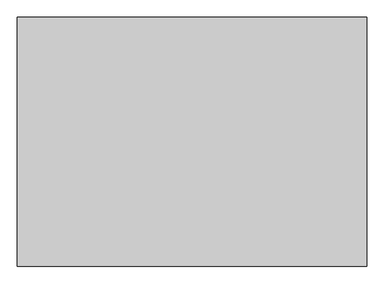
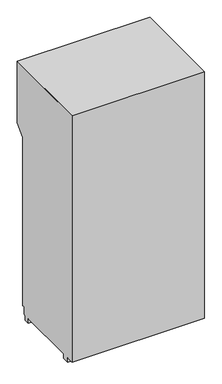
"""IFC4 building model written with IfcOpenShell, lengths in millimetres: proxy geometry."""

from ifc_helpers import new_model, si_unit, point, frame, frame_2d, origin, place, context, project, spatial, polyline, circle_curve, trimmed, segment, composite_curve, outline, extrude, source, transform, mapped, element, save
from ifc_brep_helpers import plane_surface, revolved_surface, advanced_brep


def specialty_equipment_6c48b45c(model_context):
    return source(origin(), model_context, "Body", "SolidModel", [
        extrude(outline(polyline([(457.2, 316.5974388), (457.2, -304.8), (-457.2, -304.8), (-457.2, 316.5974388), (457.2, 316.5974388)])), frame((0.0, 0.0, 1027.7974388), z_axis=(0.0, 0.0, 1.0), x_axis=(1.0, 0.0, 0.0)), (0.0, 0.0, 1.0), 25.4),
        extrude(outline(polyline([(120.65, -457.2), (120.65, 0.0), (577.85, 0.0), (577.85, -457.2), (120.65, -457.2)]), holes=[polyline([(514.4492156, -50.2135672), (514.4492156, -24.8135672), (362.0492156, -24.8135672), (362.0492156, -50.2135672), (514.4492156, -50.2135672)]), composite_curve([segment(trimmed(circle_curve(frame_2d((175.9349116, -408.6079448)), 25.4), [point((175.9349116, -383.2079448))], [point((175.9349116, -434.0079448))], True, "CARTESIAN"), True, "CONTINUOUS"), segment(trimmed(circle_curve(frame_2d((175.9349116, -408.6079448)), 25.4), [point((175.9349116, -434.0079448))], [point((175.9349116, -383.2079448))], True, "CARTESIAN"), True, "CONTINUOUS")], self_intersect=False), composite_curve([segment(trimmed(circle_curve(frame_2d((175.9349116, -307.0079448)), 25.4), [point((175.9349116, -281.6079448))], [point((175.9349116, -332.4079448))], True, "CARTESIAN"), True, "CONTINUOUS"), segment(trimmed(circle_curve(frame_2d((175.9349116, -307.0079448)), 25.4), [point((175.9349116, -332.4079448))], [point((175.9349116, -281.6079448))], True, "CARTESIAN"), True, "CONTINUOUS")], self_intersect=False), composite_curve([segment(trimmed(circle_curve(frame_2d((175.9349116, -205.4079448)), 25.4), [point((175.9349116, -180.0079448))], [point((175.9349116, -230.8079448))], True, "CARTESIAN"), True, "CONTINUOUS"), segment(trimmed(circle_curve(frame_2d((175.9349116, -205.4079448)), 25.4), [point((175.9349116, -230.8079448))], [point((175.9349116, -180.0079448))], True, "CARTESIAN"), True, "CONTINUOUS")], self_intersect=False), composite_curve([segment(trimmed(circle_curve(frame_2d((175.9349116, -103.8079448)), 25.4), [point((175.9349116, -78.4079448))], [point((175.9349116, -129.2079448))], True, "CARTESIAN"), True, "CONTINUOUS"), segment(trimmed(circle_curve(frame_2d((175.9349116, -103.8079448)), 25.4), [point((175.9349116, -129.2079448))], [point((175.9349116, -78.4079448))], True, "CARTESIAN"), True, "CONTINUOUS")], self_intersect=False)]), frame((0.0, 354.6974388, 0.0), z_axis=(0.0, 1.0, 0.0), x_axis=(0.0, 0.0, 1.0)), (0.0, 0.0, 1.0), 19.066442),
        extrude(outline(polyline([(120.65, 457.2), (577.85, 457.2), (577.85, 0.0), (120.65, 0.0), (120.65, 457.2)]), holes=[polyline([(514.4492156, 24.8135672), (514.4492156, 50.2135672), (362.0492156, 50.2135672), (362.0492156, 24.8135672), (514.4492156, 24.8135672)]), composite_curve([segment(trimmed(circle_curve(frame_2d((175.9349116, 398.4981885)), 25.4), [point((175.9349116, 423.8981885))], [point((175.9349116, 373.0981885))], True, "CARTESIAN"), True, "CONTINUOUS"), segment(trimmed(circle_curve(frame_2d((175.9349116, 398.4981885)), 25.4), [point((175.9349116, 373.0981885))], [point((175.9349116, 423.8981885))], True, "CARTESIAN"), True, "CONTINUOUS")], self_intersect=False), composite_curve([segment(trimmed(circle_curve(frame_2d((175.9349116, 296.8981885)), 25.4), [point((175.9349116, 322.2981885))], [point((175.9349116, 271.4981885))], True, "CARTESIAN"), True, "CONTINUOUS"), segment(trimmed(circle_curve(frame_2d((175.9349116, 296.8981885)), 25.4), [point((175.9349116, 271.4981885))], [point((175.9349116, 322.2981885))], True, "CARTESIAN"), True, "CONTINUOUS")], self_intersect=False), composite_curve([segment(trimmed(circle_curve(frame_2d((175.9349116, 195.2981885)), 25.4), [point((175.9349116, 220.6981885))], [point((175.9349116, 169.8981885))], True, "CARTESIAN"), True, "CONTINUOUS"), segment(trimmed(circle_curve(frame_2d((175.9349116, 195.2981885)), 25.4), [point((175.9349116, 169.8981885))], [point((175.9349116, 220.6981885))], True, "CARTESIAN"), True, "CONTINUOUS")], self_intersect=False), composite_curve([segment(trimmed(circle_curve(frame_2d((175.9349116, 93.6981885)), 25.4), [point((175.9349116, 119.0981885))], [point((175.9349116, 68.2981885))], True, "CARTESIAN"), True, "CONTINUOUS"), segment(trimmed(circle_curve(frame_2d((175.9349116, 93.6981885)), 25.4), [point((175.9349116, 68.2981885))], [point((175.9349116, 119.0981885))], True, "CARTESIAN"), True, "CONTINUOUS")], self_intersect=False)]), frame((0.0, 354.6974388, 0.0), z_axis=(0.0, 1.0, 0.0), x_axis=(0.0, 0.0, 1.0)), (0.0, 0.0, 1.0), 19.066442),
        advanced_brep(
        [(622.3, 444.5, 2489.2), (-622.3, 444.5, 2489.2), (-622.3, -444.5, 2489.2), (622.3, -444.5, 2489.2), (-622.3, 266.7, 0.0), (-622.3, 316.5974388, 0.0), (-558.8, 316.5974388, 0.0), (-558.8, 266.7, 0.0), (622.3, 316.5974388, 0.0), (622.3, 266.7, 0.0), (558.8, 266.7, 0.0), (558.8, 316.5974388, 0.0), (-622.3, -304.8, 0.0), (-558.8, -304.8, 0.0), (-558.8, -374.65, 0.0), (-622.3, -374.65, 0.0), (558.8, -304.8, 0.0), (622.3, -304.8, 0.0), (622.3, -374.65, 0.0), (558.8, -374.65, 0.0), (622.3, 444.5, 1879.6), (-622.3, 444.5, 1879.6), (558.8, 444.5, 2413.0), (254.0, 444.5, 2413.0), (254.0, 444.5, 2311.4), (558.8, 444.5, 2311.4), (177.8, 444.5, 2413.0), (-127.0, 444.5, 2413.0), (-127.0, 444.5, 2311.4), (177.8, 444.5, 2311.4), (-203.2, 444.5, 2413.0), (-508.0, 444.5, 2413.0), (-508.0, 444.5, 2311.4), (-203.2, 444.5, 2311.4), (558.8, 444.5, 2159.0), (254.0, 444.5, 2159.0), (254.0, 444.5, 2057.4), (558.8, 444.5, 2057.4), (177.8, 444.5, 2159.0), (-127.0, 444.5, 2159.0), (-127.0, 444.5, 2057.4), (177.8, 444.5, 2057.4), (-203.2, 444.5, 2159.0), (-508.0, 444.5, 2159.0), (-508.0, 444.5, 2057.4), (-203.2, 444.5, 2057.4), (-622.3, 354.6974388, 1789.7974388), (-622.3, 354.6974388, 120.65), (-622.3, 335.6474388, 120.65), (-622.3, 335.6474388, 44.45), (-622.3, 316.5974388, 44.45), (-622.3, 266.7, 44.45), (-622.3, -304.8, 44.45), (-622.3, -374.65, 44.45), (-622.3, -444.5, 44.45), (622.3, -444.5, 44.45), (622.3, -374.65, 44.45), (622.3, -304.8, 44.45), (622.3, 266.7, 44.45), (622.3, 316.5974388, 44.45), (622.3, 335.6474388, 44.45), (622.3, 335.6474388, 120.65), (622.3, 354.6974388, 120.65), (622.3, 354.6974388, 1789.7974388), (457.2, 354.6974388, 1789.7974388), (-457.2, 354.6974388, 1789.7974388), (-457.2, 354.6974388, 722.9974388), (457.2, 354.6974388, 722.9974388), (373.0981885, 354.6974388, 175.9349116), (423.8981885, 354.6974388, 175.9349116), (271.4981885, 354.6974388, 175.9349116), (322.2981885, 354.6974388, 175.9349116), (169.8981885, 354.6974388, 175.9349116), (220.6981885, 354.6974388, 175.9349116), (68.2981885, 354.6974388, 175.9349116), (119.0981885, 354.6974388, 175.9349116), (-434.0079448, 354.6974388, 175.9349116), (-383.2079448, 354.6974388, 175.9349116), (-332.4079448, 354.6974388, 175.9349116), (-281.6079448, 354.6974388, 175.9349116), (-230.8079448, 354.6974388, 175.9349116), (-180.0079448, 354.6974388, 175.9349116), (-129.2079448, 354.6974388, 175.9349116), (-78.4079448, 354.6974388, 175.9349116), (-558.8, 266.7, 44.45), (558.8, 266.7, 44.45), (558.8, -304.8, 44.45), (558.8, -374.65, 44.45), (-558.8, -374.65, 44.45), (-558.8, -304.8, 44.45), (-558.8, 316.5974388, 44.45), (558.8, 316.5974388, 44.45), (457.2, -304.8, 1789.7974388), (457.2, -304.8, 722.9974388), (-457.2, -304.8, 722.9974388), (-457.2, -304.8, 1789.7974388), (558.8, 405.9853104, 2413.0), (558.8, 405.9853104, 2311.4), (254.0, 405.9853104, 2311.4), (254.0, 405.9853104, 2413.0), (177.8, 405.9853104, 2413.0), (177.8, 405.9853104, 2311.4), (-127.0, 405.9853104, 2311.4), (-127.0, 405.9853104, 2413.0), (-203.2, 405.9853104, 2413.0), (-203.2, 405.9853104, 2311.4), (-508.0, 405.9853104, 2311.4), (-508.0, 405.9853104, 2413.0), (558.8, 405.9853104, 2159.0), (558.8, 405.9853104, 2057.4), (254.0, 405.9853104, 2057.4), (254.0, 405.9853104, 2159.0), (177.8, 405.9853104, 2159.0), (177.8, 405.9853104, 2057.4), (-127.0, 405.9853104, 2057.4), (-127.0, 405.9853104, 2159.0), (-203.2, 405.9853104, 2159.0), (-203.2, 405.9853104, 2057.4), (-508.0, 405.9853104, 2057.4), (-508.0, 405.9853104, 2159.0), (373.0981885, 335.6474388, 175.9349116), (423.8981885, 335.6474388, 175.9349116), (271.4981885, 335.6474388, 175.9349116), (322.2981885, 335.6474388, 175.9349116), (169.8981885, 335.6474388, 175.9349116), (220.6981885, 335.6474388, 175.9349116), (68.2981885, 335.6474388, 175.9349116), (119.0981885, 335.6474388, 175.9349116), (-434.0079448, 335.6474388, 175.9349116), (-383.2079448, 335.6474388, 175.9349116), (-332.4079448, 335.6474388, 175.9349116), (-281.6079448, 335.6474388, 175.9349116), (-230.8079448, 335.6474388, 175.9349116), (-180.0079448, 335.6474388, 175.9349116), (-129.2079448, 335.6474388, 175.9349116), (-78.4079448, 335.6474388, 175.9349116)],
        [
            (0, 1),
            (1, 2),
            (2, 3),
            (3, 0),
            (4, 5),
            (5, 6),
            (6, 7),
            (7, 4),
            (8, 9),
            (9, 10),
            (10, 11),
            (11, 8),
            (12, 13),
            (13, 14),
            (14, 15),
            (15, 12),
            (16, 17),
            (17, 18),
            (18, 19),
            (19, 16),
            (0, 20),
            (20, 21),
            (21, 1),
            (22, 23),
            (23, 24),
            (24, 25),
            (25, 22),
            (26, 27),
            (27, 28),
            (28, 29),
            (29, 26),
            (30, 31),
            (31, 32),
            (32, 33),
            (33, 30),
            (34, 35),
            (35, 36),
            (36, 37),
            (37, 34),
            (38, 39),
            (39, 40),
            (40, 41),
            (41, 38),
            (42, 43),
            (43, 44),
            (44, 45),
            (45, 42),
            (21, 46),
            (46, 47),
            (47, 48),
            (48, 49),
            (49, 50),
            (50, 5),
            (4, 51),
            (51, 52),
            (52, 12),
            (15, 53),
            (53, 54),
            (54, 2),
            (54, 55),
            (55, 3),
            (55, 56),
            (56, 18),
            (17, 57),
            (57, 58),
            (58, 9),
            (8, 59),
            (59, 60),
            (60, 61),
            (61, 62),
            (62, 63),
            (63, 20),
            (63, 64),
            (64, 65),
            (65, 46),
            (65, 66),
            (66, 67),
            (67, 64),
            (62, 47),
            (68, 69, circle_curve(frame((398.4981885, 354.6974388, 175.9349116), z_axis=(0.0, -1.0, 0.0), x_axis=(1.0, 0.0, 0.0)), 25.4)),
            (69, 68, circle_curve(frame((398.4981885, 354.6974388, 175.9349116), z_axis=(0.0, -1.0, 0.0), x_axis=(1.0, 0.0, 0.0)), 25.4)),
            (70, 71, circle_curve(frame((296.8981885, 354.6974388, 175.9349116), z_axis=(0.0, -1.0, 0.0), x_axis=(1.0, 0.0, 0.0)), 25.4)),
            (71, 70, circle_curve(frame((296.8981885, 354.6974388, 175.9349116), z_axis=(0.0, -1.0, 0.0), x_axis=(1.0, 0.0, 0.0)), 25.4)),
            (72, 73, circle_curve(frame((195.2981885, 354.6974388, 175.9349116), z_axis=(0.0, -1.0, 0.0), x_axis=(1.0, 0.0, 0.0)), 25.4)),
            (73, 72, circle_curve(frame((195.2981885, 354.6974388, 175.9349116), z_axis=(0.0, -1.0, 0.0), x_axis=(1.0, 0.0, 0.0)), 25.4)),
            (74, 75, circle_curve(frame((93.6981885, 354.6974388, 175.9349116), z_axis=(0.0, -1.0, 0.0), x_axis=(1.0, 0.0, 0.0)), 25.4)),
            (75, 74, circle_curve(frame((93.6981885, 354.6974388, 175.9349116), z_axis=(0.0, -1.0, 0.0), x_axis=(1.0, 0.0, 0.0)), 25.4)),
            (76, 77, circle_curve(frame((-408.6079448, 354.6974388, 175.9349116), z_axis=(0.0, -1.0, 0.0), x_axis=(1.0, 0.0, 0.0)), 25.4)),
            (77, 76, circle_curve(frame((-408.6079448, 354.6974388, 175.9349116), z_axis=(0.0, -1.0, 0.0), x_axis=(1.0, 0.0, 0.0)), 25.4)),
            (78, 79, circle_curve(frame((-307.0079448, 354.6974388, 175.9349116), z_axis=(0.0, -1.0, 0.0), x_axis=(1.0, 0.0, 0.0)), 25.4)),
            (79, 78, circle_curve(frame((-307.0079448, 354.6974388, 175.9349116), z_axis=(0.0, -1.0, 0.0), x_axis=(1.0, 0.0, 0.0)), 25.4)),
            (80, 81, circle_curve(frame((-205.4079448, 354.6974388, 175.9349116), z_axis=(0.0, -1.0, 0.0), x_axis=(1.0, 0.0, 0.0)), 25.4)),
            (81, 80, circle_curve(frame((-205.4079448, 354.6974388, 175.9349116), z_axis=(0.0, -1.0, 0.0), x_axis=(1.0, 0.0, 0.0)), 25.4)),
            (82, 83, circle_curve(frame((-103.8079448, 354.6974388, 175.9349116), z_axis=(0.0, -1.0, 0.0), x_axis=(1.0, 0.0, 0.0)), 25.4)),
            (83, 82, circle_curve(frame((-103.8079448, 354.6974388, 175.9349116), z_axis=(0.0, -1.0, 0.0), x_axis=(1.0, 0.0, 0.0)), 25.4)),
            (7, 84),
            (84, 51),
            (58, 85),
            (85, 10),
            (57, 86),
            (86, 87),
            (87, 56),
            (53, 88),
            (88, 89),
            (89, 52),
            (84, 90),
            (90, 50),
            (49, 60),
            (59, 91),
            (91, 85),
            (89, 13),
            (16, 86),
            (61, 48),
            (90, 6),
            (11, 91),
            (88, 14),
            (19, 87),
            (92, 93),
            (93, 94),
            (94, 95),
            (95, 92),
            (64, 92),
            (95, 65),
            (93, 67),
            (66, 94),
            (96, 97),
            (97, 98),
            (98, 99),
            (99, 96),
            (99, 23),
            (22, 96),
            (98, 24),
            (97, 25),
            (100, 101),
            (101, 102),
            (102, 103),
            (103, 100),
            (103, 27),
            (26, 100),
            (102, 28),
            (101, 29),
            (104, 105),
            (105, 106),
            (106, 107),
            (107, 104),
            (107, 31),
            (30, 104),
            (106, 32),
            (105, 33),
            (108, 109),
            (109, 110),
            (110, 111),
            (111, 108),
            (111, 35),
            (34, 108),
            (110, 36),
            (109, 37),
            (112, 113),
            (113, 114),
            (114, 115),
            (115, 112),
            (115, 39),
            (38, 112),
            (114, 40),
            (113, 41),
            (116, 117),
            (117, 118),
            (118, 119),
            (119, 116),
            (119, 43),
            (42, 116),
            (118, 44),
            (117, 45),
            (120, 121, circle_curve(frame((398.4981885, 335.6474388, 175.9349116), z_axis=(0.0, 1.0, 0.0), x_axis=(1.0, 0.0, 0.0)), 25.4)),
            (121, 120, circle_curve(frame((398.4981885, 335.6474388, 175.9349116), z_axis=(0.0, 1.0, 0.0), x_axis=(1.0, 0.0, 0.0)), 25.4)),
            (121, 69),
            (68, 120),
            (122, 123, circle_curve(frame((296.8981885, 335.6474388, 175.9349116), z_axis=(0.0, 1.0, 0.0), x_axis=(1.0, 0.0, 0.0)), 25.4)),
            (123, 122, circle_curve(frame((296.8981885, 335.6474388, 175.9349116), z_axis=(0.0, 1.0, 0.0), x_axis=(1.0, 0.0, 0.0)), 25.4)),
            (123, 71),
            (70, 122),
            (124, 125, circle_curve(frame((195.2981885, 335.6474388, 175.9349116), z_axis=(0.0, 1.0, 0.0), x_axis=(1.0, 0.0, 0.0)), 25.4)),
            (125, 124, circle_curve(frame((195.2981885, 335.6474388, 175.9349116), z_axis=(0.0, 1.0, 0.0), x_axis=(1.0, 0.0, 0.0)), 25.4)),
            (125, 73),
            (72, 124),
            (126, 127, circle_curve(frame((93.6981885, 335.6474388, 175.9349116), z_axis=(0.0, 1.0, 0.0), x_axis=(1.0, 0.0, 0.0)), 25.4)),
            (127, 126, circle_curve(frame((93.6981885, 335.6474388, 175.9349116), z_axis=(0.0, 1.0, 0.0), x_axis=(1.0, 0.0, 0.0)), 25.4)),
            (127, 75),
            (74, 126),
            (128, 129, circle_curve(frame((-408.6079448, 335.6474388, 175.9349116), z_axis=(0.0, 1.0, 0.0), x_axis=(1.0, 0.0, 0.0)), 25.4)),
            (129, 128, circle_curve(frame((-408.6079448, 335.6474388, 175.9349116), z_axis=(0.0, 1.0, 0.0), x_axis=(1.0, 0.0, 0.0)), 25.4)),
            (129, 77),
            (76, 128),
            (130, 131, circle_curve(frame((-307.0079448, 335.6474388, 175.9349116), z_axis=(0.0, 1.0, 0.0), x_axis=(1.0, 0.0, 0.0)), 25.4)),
            (131, 130, circle_curve(frame((-307.0079448, 335.6474388, 175.9349116), z_axis=(0.0, 1.0, 0.0), x_axis=(1.0, 0.0, 0.0)), 25.4)),
            (131, 79),
            (78, 130),
            (132, 133, circle_curve(frame((-205.4079448, 335.6474388, 175.9349116), z_axis=(0.0, 1.0, 0.0), x_axis=(1.0, 0.0, 0.0)), 25.4)),
            (133, 132, circle_curve(frame((-205.4079448, 335.6474388, 175.9349116), z_axis=(0.0, 1.0, 0.0), x_axis=(1.0, 0.0, 0.0)), 25.4)),
            (133, 81),
            (80, 132),
            (134, 135, circle_curve(frame((-103.8079448, 335.6474388, 175.9349116), z_axis=(0.0, 1.0, 0.0), x_axis=(1.0, 0.0, 0.0)), 25.4)),
            (135, 134, circle_curve(frame((-103.8079448, 335.6474388, 175.9349116), z_axis=(0.0, 1.0, 0.0), x_axis=(1.0, 0.0, 0.0)), 25.4)),
            (135, 83),
            (82, 134),
        ],
        [
            plane_surface(frame((-622.3, 444.5, 2489.2), z_axis=(0.0, 0.0, 1.0), x_axis=(-1.0, 0.0, 0.0))),
            plane_surface(frame((-622.3, 444.5, 0.0), z_axis=(0.0, 0.0, -1.0), x_axis=(1.0, 0.0, 0.0))),
            plane_surface(frame((622.3, 444.5, 2489.2), z_axis=(0.0, 1.0, 0.0), x_axis=(0.0, 0.0, -1.0))),
            plane_surface(frame((-622.3, 444.5, 2489.2), z_axis=(-1.0, 0.0, 0.0), x_axis=(0.0, 0.0, -1.0))),
            plane_surface(frame((-622.3, -444.5, 2489.2), z_axis=(0.0, -1.0, 0.0), x_axis=(0.0, 0.0, -1.0))),
            plane_surface(frame((622.3, -444.5, 2489.2), z_axis=(1.0, 0.0, 0.0), x_axis=(0.0, 0.0, -1.0))),
            plane_surface(frame((622.3, 444.5, 1879.6), z_axis=(0.0, 0.7071067811865465, -0.7071067811865486), x_axis=(-1.0, 0.0, 0.0))),
            plane_surface(frame((622.3, 354.6974388, 1789.7974388), z_axis=(0.0, 1.0, 0.0), x_axis=(-1.0, 0.0, 0.0))),
            plane_surface(frame((622.3, 266.7, 0.0), z_axis=(0.0, -1.0, 0.0), x_axis=(-1.0, 0.0, 0.0))),
            plane_surface(frame((622.3, 266.7, 44.45), z_axis=(0.0, 0.0, -1.0), x_axis=(-1.0, 0.0, 0.0))),
            plane_surface(frame((622.3, -304.8, 44.45), z_axis=(0.0, 1.0, 0.0), x_axis=(-1.0, 0.0, 0.0))),
            plane_surface(frame((622.3, 354.6974388, 120.65), z_axis=(0.0, 0.0, -1.0), x_axis=(-1.0, 0.0, 0.0))),
            plane_surface(frame((622.3, 335.6474388, 120.65), z_axis=(0.0, 1.0, 0.0), x_axis=(-1.0, 0.0, 0.0))),
            plane_surface(frame((622.3, 316.5974388, 44.45), z_axis=(0.0, 1.0, 0.0), x_axis=(-1.0, 0.0, 0.0))),
            plane_surface(frame((-558.8, -444.5, 44.45), z_axis=(1.0, 0.0, 0.0), x_axis=(0.0, 1.0, 0.0))),
            plane_surface(frame((558.8, -444.5, 0.0), z_axis=(-1.0, 0.0, 0.0), x_axis=(0.0, 1.0, 0.0))),
            plane_surface(frame((622.3, -374.65, 0.0), z_axis=(0.0, -1.0, 0.0), x_axis=(-1.0, 0.0, 0.0))),
            plane_surface(frame((0.0, -304.8, 1789.7974388), z_axis=(0.0, 1.0, 0.0), x_axis=(-1.0, 0.0, 0.0))),
            plane_surface(frame((457.2, -304.8, 1789.7974388), z_axis=(0.0, 0.0, -1.0), x_axis=(0.0, 1.0, 0.0))),
            plane_surface(frame((0.0, -304.8, 722.9974388), z_axis=(0.0, 0.0, 1.0), x_axis=(0.0, 1.0, 0.0))),
            plane_surface(frame((457.2, -304.8, 722.9974388), z_axis=(-1.0, 0.0, 0.0), x_axis=(0.0, 1.0, 0.0))),
            plane_surface(frame((-457.2, -304.8, 1789.7974388), z_axis=(1.0, 0.0, 0.0), x_axis=(0.0, 1.0, 0.0))),
            plane_surface(frame((203.2, 405.9853104, 2413.0), z_axis=(0.0, 1.0, 0.0), x_axis=(-1.0, 0.0, 0.0))),
            plane_surface(frame((558.8, 405.9853104, 2413.0), z_axis=(0.0, 0.0, -1.0), x_axis=(0.0, 1.0, 0.0))),
            plane_surface(frame((254.0, 405.9853104, 2413.0), z_axis=(1.0, 0.0, 0.0), x_axis=(0.0, 1.0, 0.0))),
            plane_surface(frame((254.0, 405.9853104, 2311.4), z_axis=(0.0, 0.0, 1.0), x_axis=(0.0, 1.0, 0.0))),
            plane_surface(frame((558.8, 405.9853104, 2311.4), z_axis=(-1.0, 0.0, 0.0), x_axis=(0.0, 1.0, 0.0))),
            plane_surface(frame((-177.8, 405.9853104, 2413.0), z_axis=(0.0, 1.0, 0.0), x_axis=(-1.0, 0.0, 0.0))),
            plane_surface(frame((177.8, 405.9853104, 2413.0), z_axis=(0.0, 0.0, -1.0), x_axis=(0.0, 1.0, 0.0))),
            plane_surface(frame((-127.0, 405.9853104, 2413.0), z_axis=(1.0, 0.0, 0.0), x_axis=(0.0, 1.0, 0.0))),
            plane_surface(frame((-127.0, 405.9853104, 2311.4), z_axis=(0.0, 0.0, 1.0), x_axis=(0.0, 1.0, 0.0))),
            plane_surface(frame((177.8, 405.9853104, 2311.4), z_axis=(-1.0, 0.0, 0.0), x_axis=(0.0, 1.0, 0.0))),
            plane_surface(frame((-558.8, 405.9853104, 2413.0), z_axis=(0.0, 1.0, 0.0), x_axis=(-1.0, 0.0, 0.0))),
            plane_surface(frame((-203.2, 405.9853104, 2413.0), z_axis=(0.0, 0.0, -1.0), x_axis=(0.0, 1.0, 0.0))),
            plane_surface(frame((-508.0, 405.9853104, 2413.0), z_axis=(1.0, 0.0, 0.0), x_axis=(0.0, 1.0, 0.0))),
            plane_surface(frame((-508.0, 405.9853104, 2311.4), z_axis=(0.0, 0.0, 1.0), x_axis=(0.0, 1.0, 0.0))),
            plane_surface(frame((-203.2, 405.9853104, 2311.4), z_axis=(-1.0, 0.0, 0.0), x_axis=(0.0, 1.0, 0.0))),
            plane_surface(frame((203.2, 405.9853104, 2159.0), z_axis=(0.0, 1.0, 0.0), x_axis=(-1.0, 0.0, 0.0))),
            plane_surface(frame((558.8, 405.9853104, 2159.0), z_axis=(0.0, 0.0, -1.0), x_axis=(0.0, 1.0, 0.0))),
            plane_surface(frame((254.0, 405.9853104, 2159.0), z_axis=(1.0, 0.0, 0.0), x_axis=(0.0, 1.0, 0.0))),
            plane_surface(frame((254.0, 405.9853104, 2057.4), z_axis=(0.0, 0.0, 1.0), x_axis=(0.0, 1.0, 0.0))),
            plane_surface(frame((558.8, 405.9853104, 2057.4), z_axis=(-1.0, 0.0, 0.0), x_axis=(0.0, 1.0, 0.0))),
            plane_surface(frame((-177.8, 405.9853104, 2159.0), z_axis=(0.0, 1.0, 0.0), x_axis=(-1.0, 0.0, 0.0))),
            plane_surface(frame((177.8, 405.9853104, 2159.0), z_axis=(0.0, 0.0, -1.0), x_axis=(0.0, 1.0, 0.0))),
            plane_surface(frame((-127.0, 405.9853104, 2159.0), z_axis=(1.0, 0.0, 0.0), x_axis=(0.0, 1.0, 0.0))),
            plane_surface(frame((-127.0, 405.9853104, 2057.4), z_axis=(0.0, 0.0, 1.0), x_axis=(0.0, 1.0, 0.0))),
            plane_surface(frame((177.8, 405.9853104, 2057.4), z_axis=(-1.0, 0.0, 0.0), x_axis=(0.0, 1.0, 0.0))),
            plane_surface(frame((-558.8, 405.9853104, 2159.0), z_axis=(0.0, 1.0, 0.0), x_axis=(-1.0, 0.0, 0.0))),
            plane_surface(frame((-203.2, 405.9853104, 2159.0), z_axis=(0.0, 0.0, -1.0), x_axis=(0.0, 1.0, 0.0))),
            plane_surface(frame((-508.0, 405.9853104, 2159.0), z_axis=(1.0, 0.0, 0.0), x_axis=(0.0, 1.0, 0.0))),
            plane_surface(frame((-508.0, 405.9853104, 2057.4), z_axis=(0.0, 0.0, 1.0), x_axis=(0.0, 1.0, 0.0))),
            plane_surface(frame((-203.2, 405.9853104, 2057.4), z_axis=(-1.0, 0.0, 0.0), x_axis=(0.0, 1.0, 0.0))),
            plane_surface(frame((423.8981885, 335.6474388, 175.9349116), z_axis=(0.0, 1.0, 0.0), x_axis=(0.0, 0.0, 1.0))),
            revolved_surface(polyline([(423.8981885, 335.6474388, 175.9349116), (423.8981885, 354.6974388, 175.9349116)]), (398.4981885, 373.7638807, 175.9349116), (0.0, -1.0, 0.0)),
            plane_surface(frame((322.2981885, 335.6474388, 175.9349116), z_axis=(0.0, 1.0, 0.0), x_axis=(0.0, 0.0, 1.0))),
            revolved_surface(polyline([(322.2981885, 335.6474388, 175.9349116), (322.2981885, 354.6974388, 175.9349116)]), (296.8981885, 373.7638807, 175.9349116), (0.0, -1.0, 0.0)),
            plane_surface(frame((220.6981885, 335.6474388, 175.9349116), z_axis=(0.0, 1.0, 0.0), x_axis=(0.0, 0.0, 1.0))),
            revolved_surface(polyline([(220.69818850000001, 335.6474388, 175.9349116), (220.69818850000001, 354.6974388, 175.9349116)]), (195.2981885, 373.7638807, 175.9349116), (0.0, -1.0, 0.0)),
            plane_surface(frame((119.0981885, 335.6474388, 175.9349116), z_axis=(0.0, 1.0, 0.0), x_axis=(0.0, 0.0, 1.0))),
            revolved_surface(polyline([(119.09818849999999, 335.6474388, 175.9349116), (119.09818849999999, 354.6974388, 175.9349116)]), (93.6981885, 373.7638807, 175.9349116), (0.0, -1.0, 0.0)),
            plane_surface(frame((-383.2079448, 335.6474388, 175.9349116), z_axis=(0.0, 1.0, 0.0), x_axis=(0.0, 0.0, 1.0))),
            revolved_surface(polyline([(-383.2079448, 335.6474388, 175.9349116), (-383.2079448, 354.6974388, 175.9349116)]), (-408.6079448, 373.7638807, 175.9349116), (0.0, -1.0, 0.0)),
            plane_surface(frame((-281.6079448, 335.6474388, 175.9349116), z_axis=(0.0, 1.0, 0.0), x_axis=(0.0, 0.0, 1.0))),
            revolved_surface(polyline([(-281.60794480000004, 335.6474388, 175.9349116), (-281.60794480000004, 354.6974388, 175.9349116)]), (-307.0079448, 373.7638807, 175.9349116), (0.0, -1.0, 0.0)),
            plane_surface(frame((-180.0079448, 335.6474388, 175.9349116), z_axis=(0.0, 1.0, 0.0), x_axis=(0.0, 0.0, 1.0))),
            revolved_surface(polyline([(-180.0079448, 335.6474388, 175.9349116), (-180.0079448, 354.6974388, 175.9349116)]), (-205.4079448, 373.7638807, 175.9349116), (0.0, -1.0, 0.0)),
            plane_surface(frame((-78.4079448, 335.6474388, 175.9349116), z_axis=(0.0, 1.0, 0.0), x_axis=(0.0, 0.0, 1.0))),
            revolved_surface(polyline([(-78.4079448, 335.6474388, 175.9349116), (-78.4079448, 354.6974388, 175.9349116)]), (-103.8079448, 373.7638807, 175.9349116), (0.0, -1.0, 0.0)),
        ],
        [
            (0, [[1, 2, 3, 4]]),
            (1, [[5, 6, 7, 8]]),
            (1, [[9, 10, 11, 12]]),
            (1, [[13, 14, 15, 16]]),
            (1, [[17, 18, 19, 20]]),
            (2, [[-1, 21, 22, 23], [24, 25, 26, 27], [28, 29, 30, 31], [32, 33, 34, 35], [36, 37, 38, 39], [40, 41, 42, 43], [44, 45, 46, 47]]),
            (3, [[-2, -23, 48, 49, 50, 51, 52, 53, -5, 54, 55, 56, -16, 57, 58, 59]]),
            (4, [[-3, -59, 60, 61]]),
            (5, [[-4, -61, 62, 63, -18, 64, 65, 66, -9, 67, 68, 69, 70, 71, 72, -21]]),
            (6, [[-22, -72, 73, 74, 75, -48]]),
            (7, [[-49, -75, 76, 77, 78, -73, -71, 79], [80, 81], [82, 83], [84, 85], [86, 87], [88, 89], [90, 91], [92, 93], [94, 95]]),
            (8, [[-54, -8, 96, 97]]),
            (8, [[-66, 98, 99, -10]]),
            (9, [[-65, 100, 101, 102, -62, -60, -58, 103, 104, 105, -55, -97, 106, 107, -52, 108, -68, 109, 110, -98]]),
            (10, [[-56, -105, 111, -13]]),
            (10, [[-64, -17, 112, -100]]),
            (11, [[113, -50, -79, -70]]),
            (12, [[-113, -69, -108, -51]]),
            (13, [[-53, -107, 114, -6]]),
            (13, [[-67, -12, 115, -109]]),
            (14, [[-106, -96, -7, -114]]),
            (14, [[-111, -104, 116, -14]]),
            (15, [[-110, -115, -11, -99]]),
            (15, [[-112, -20, 117, -101]]),
            (16, [[-102, -117, -19, -63]]),
            (16, [[-103, -57, -15, -116]]),
            (17, [[118, 119, 120, 121]]),
            (18, [[122, -121, 123, -74]]),
            (19, [[124, -77, 125, -119]]),
            (20, [[-118, -122, -78, -124]]),
            (21, [[-120, -125, -76, -123]]),
            (22, [[126, 127, 128, 129]]),
            (23, [[-129, 130, -24, 131]]),
            (24, [[-128, 132, -25, -130]]),
            (25, [[-127, 133, -26, -132]]),
            (26, [[-126, -131, -27, -133]]),
            (27, [[134, 135, 136, 137]]),
            (28, [[-137, 138, -28, 139]]),
            (29, [[-136, 140, -29, -138]]),
            (30, [[-135, 141, -30, -140]]),
            (31, [[-134, -139, -31, -141]]),
            (32, [[142, 143, 144, 145]]),
            (33, [[-145, 146, -32, 147]]),
            (34, [[-144, 148, -33, -146]]),
            (35, [[-143, 149, -34, -148]]),
            (36, [[-142, -147, -35, -149]]),
            (37, [[150, 151, 152, 153]]),
            (38, [[-153, 154, -36, 155]]),
            (39, [[-152, 156, -37, -154]]),
            (40, [[-151, 157, -38, -156]]),
            (41, [[-150, -155, -39, -157]]),
            (42, [[158, 159, 160, 161]]),
            (43, [[-161, 162, -40, 163]]),
            (44, [[-160, 164, -41, -162]]),
            (45, [[-159, 165, -42, -164]]),
            (46, [[-158, -163, -43, -165]]),
            (47, [[166, 167, 168, 169]]),
            (48, [[-169, 170, -44, 171]]),
            (49, [[-168, 172, -45, -170]]),
            (50, [[-167, 173, -46, -172]]),
            (51, [[-166, -171, -47, -173]]),
            (52, [[174, 175]]),
            (53, [[-175, 176, -80, 177]]),
            (53, [[-174, -177, -81, -176]]),
            (54, [[178, 179]]),
            (55, [[-179, 180, -82, 181]]),
            (55, [[-178, -181, -83, -180]]),
            (56, [[182, 183]]),
            (57, [[-183, 184, -84, 185]]),
            (57, [[-182, -185, -85, -184]]),
            (58, [[186, 187]]),
            (59, [[-187, 188, -86, 189]]),
            (59, [[-186, -189, -87, -188]]),
            (60, [[190, 191]]),
            (61, [[-191, 192, -88, 193]]),
            (61, [[-190, -193, -89, -192]]),
            (62, [[194, 195]]),
            (63, [[-195, 196, -90, 197]]),
            (63, [[-194, -197, -91, -196]]),
            (64, [[198, 199]]),
            (65, [[-199, 200, -92, 201]]),
            (65, [[-198, -201, -93, -200]]),
            (66, [[202, 203]]),
            (67, [[-203, 204, -94, 205]]),
            (67, [[-202, -205, -95, -204]]),
        ],
    ),
        advanced_brep(
        [(-622.3, 444.5, 2489.2), (-622.3, 0.0, 2489.2), (-622.3, -444.5, 2489.2), (622.3, -444.5, 2489.2), (622.3, 444.5, 2489.2), (-622.3, 266.7, 0.0), (-622.3, 316.5974388, 0.0), (-558.8, 316.5974388, 0.0), (-558.8, 266.7, 0.0), (622.3, 316.5974388, 0.0), (622.3, 266.7, 0.0), (558.8, 266.7, 0.0), (558.8, 316.5974388, 0.0), (-622.3, -304.8, 0.0), (-558.8, -304.8, 0.0), (-558.8, -374.65, 0.0), (-622.3, -374.65, 0.0), (558.8, -304.8, 0.0), (622.3, -304.8, 0.0), (622.3, -374.65, 0.0), (558.8, -374.65, 0.0), (-622.3, 444.5, 1879.6), (-622.3, 354.6974388, 1789.7974388), (-622.3, 354.6974388, 120.65), (-622.3, 335.6474388, 120.65), (-622.3, 335.6474388, 44.45), (-622.3, 316.5974388, 44.45), (-622.3, 266.7, 44.45), (-622.3, 0.0, 44.45), (-622.3, -304.8, 44.45), (-622.3, -374.65, 44.45), (-622.3, -444.5, 44.45), (622.3, -444.5, 44.45), (622.3, -374.65, 44.45), (622.3, -304.8, 44.45), (622.3, 266.7, 44.45), (622.3, 316.5974388, 44.45), (622.3, 335.6474388, 44.45), (622.3, 335.6474388, 120.65), (622.3, 354.6974388, 120.65), (622.3, 354.6974388, 1789.7974388), (622.3, 444.5, 1879.6), (558.8, 444.5, 2413.0), (254.0, 444.5, 2413.0), (254.0, 444.5, 2311.4), (558.8, 444.5, 2311.4), (177.8, 444.5, 2413.0), (-127.0, 444.5, 2413.0), (-127.0, 444.5, 2311.4), (177.8, 444.5, 2311.4), (-203.2, 444.5, 2413.0), (-508.0, 444.5, 2413.0), (-508.0, 444.5, 2311.4), (-203.2, 444.5, 2311.4), (558.8, 444.5, 2159.0), (254.0, 444.5, 2159.0), (254.0, 444.5, 2057.4), (558.8, 444.5, 2057.4), (177.8, 444.5, 2159.0), (-127.0, 444.5, 2159.0), (-127.0, 444.5, 2057.4), (177.8, 444.5, 2057.4), (-203.2, 444.5, 2159.0), (-508.0, 444.5, 2159.0), (-508.0, 444.5, 2057.4), (-203.2, 444.5, 2057.4), (457.2, 354.6974388, 1789.7974388), (-457.2, 354.6974388, 1789.7974388), (-457.2, 354.6974388, 722.9974388), (457.2, 354.6974388, 722.9974388), (373.0981885, 354.6974388, 175.9349116), (423.8981885, 354.6974388, 175.9349116), (271.4981885, 354.6974388, 175.9349116), (322.2981885, 354.6974388, 175.9349116), (169.8981885, 354.6974388, 175.9349116), (220.6981885, 354.6974388, 175.9349116), (68.2981885, 354.6974388, 175.9349116), (119.0981885, 354.6974388, 175.9349116), (-434.0079448, 354.6974388, 175.9349116), (-383.2079448, 354.6974388, 175.9349116), (-332.4079448, 354.6974388, 175.9349116), (-281.6079448, 354.6974388, 175.9349116), (-230.8079448, 354.6974388, 175.9349116), (-180.0079448, 354.6974388, 175.9349116), (-129.2079448, 354.6974388, 175.9349116), (-78.4079448, 354.6974388, 175.9349116), (-558.8, 266.7, 44.45), (558.8, 266.7, 44.45), (-558.8, 316.5974388, 44.45), (558.8, 316.5974388, 44.45), (558.8, -304.8, 44.45), (558.8, -374.65, 44.45), (-558.8, -374.65, 44.45), (-558.8, -304.8, 44.45), (457.2, -304.8, 1789.7974388), (457.2, -304.8, 722.9974388), (-457.2, -304.8, 722.9974388), (-457.2, -304.8, 1789.7974388), (558.8, 405.9853104, 2413.0), (558.8, 405.9853104, 2311.4), (254.0, 405.9853104, 2311.4), (254.0, 405.9853104, 2413.0), (177.8, 405.9853104, 2413.0), (177.8, 405.9853104, 2311.4), (-127.0, 405.9853104, 2311.4), (-127.0, 405.9853104, 2413.0), (-203.2, 405.9853104, 2413.0), (-203.2, 405.9853104, 2311.4), (-508.0, 405.9853104, 2311.4), (-508.0, 405.9853104, 2413.0), (558.8, 405.9853104, 2159.0), (558.8, 405.9853104, 2057.4), (254.0, 405.9853104, 2057.4), (254.0, 405.9853104, 2159.0), (177.8, 405.9853104, 2159.0), (177.8, 405.9853104, 2057.4), (-127.0, 405.9853104, 2057.4), (-127.0, 405.9853104, 2159.0), (-203.2, 405.9853104, 2159.0), (-203.2, 405.9853104, 2057.4), (-508.0, 405.9853104, 2057.4), (-508.0, 405.9853104, 2159.0), (373.0981885, 335.6474388, 175.9349116), (423.8981885, 335.6474388, 175.9349116), (271.4981885, 335.6474388, 175.9349116), (322.2981885, 335.6474388, 175.9349116), (169.8981885, 335.6474388, 175.9349116), (220.6981885, 335.6474388, 175.9349116), (68.2981885, 335.6474388, 175.9349116), (119.0981885, 335.6474388, 175.9349116), (-434.0079448, 335.6474388, 175.9349116), (-383.2079448, 335.6474388, 175.9349116), (-332.4079448, 335.6474388, 175.9349116), (-281.6079448, 335.6474388, 175.9349116), (-230.8079448, 335.6474388, 175.9349116), (-180.0079448, 335.6474388, 175.9349116), (-129.2079448, 335.6474388, 175.9349116), (-78.4079448, 335.6474388, 175.9349116)],
        [
            (0, 1),
            (1, 2),
            (2, 3),
            (3, 4),
            (4, 0),
            (5, 6),
            (6, 7),
            (7, 8),
            (8, 5),
            (9, 10),
            (10, 11),
            (11, 12),
            (12, 9),
            (13, 14),
            (14, 15),
            (15, 16),
            (16, 13),
            (17, 18),
            (18, 19),
            (19, 20),
            (20, 17),
            (0, 21),
            (21, 22),
            (22, 23),
            (23, 24),
            (24, 25),
            (25, 26),
            (26, 6),
            (5, 27),
            (27, 28),
            (28, 1),
            (28, 29),
            (29, 13),
            (16, 30),
            (30, 31),
            (31, 2),
            (31, 32),
            (32, 3),
            (32, 33),
            (33, 19),
            (18, 34),
            (34, 35),
            (35, 10),
            (9, 36),
            (36, 37),
            (37, 38),
            (38, 39),
            (39, 40),
            (40, 41),
            (41, 4),
            (41, 21),
            (42, 43),
            (43, 44),
            (44, 45),
            (45, 42),
            (46, 47),
            (47, 48),
            (48, 49),
            (49, 46),
            (50, 51),
            (51, 52),
            (52, 53),
            (53, 50),
            (54, 55),
            (55, 56),
            (56, 57),
            (57, 54),
            (58, 59),
            (59, 60),
            (60, 61),
            (61, 58),
            (62, 63),
            (63, 64),
            (64, 65),
            (65, 62),
            (40, 66),
            (66, 67),
            (67, 22),
            (67, 68),
            (68, 69),
            (69, 66),
            (39, 23),
            (70, 71, circle_curve(frame((398.4981885, 354.6974388, 175.9349116), z_axis=(0.0, -1.0, 0.0), x_axis=(1.0, 0.0, 0.0)), 25.4)),
            (71, 70, circle_curve(frame((398.4981885, 354.6974388, 175.9349116), z_axis=(0.0, -1.0, 0.0), x_axis=(1.0, 0.0, 0.0)), 25.4)),
            (72, 73, circle_curve(frame((296.8981885, 354.6974388, 175.9349116), z_axis=(0.0, -1.0, 0.0), x_axis=(1.0, 0.0, 0.0)), 25.4)),
            (73, 72, circle_curve(frame((296.8981885, 354.6974388, 175.9349116), z_axis=(0.0, -1.0, 0.0), x_axis=(1.0, 0.0, 0.0)), 25.4)),
            (74, 75, circle_curve(frame((195.2981885, 354.6974388, 175.9349116), z_axis=(0.0, -1.0, 0.0), x_axis=(1.0, 0.0, 0.0)), 25.4)),
            (75, 74, circle_curve(frame((195.2981885, 354.6974388, 175.9349116), z_axis=(0.0, -1.0, 0.0), x_axis=(1.0, 0.0, 0.0)), 25.4)),
            (76, 77, circle_curve(frame((93.6981885, 354.6974388, 175.9349116), z_axis=(0.0, -1.0, 0.0), x_axis=(1.0, 0.0, 0.0)), 25.4)),
            (77, 76, circle_curve(frame((93.6981885, 354.6974388, 175.9349116), z_axis=(0.0, -1.0, 0.0), x_axis=(1.0, 0.0, 0.0)), 25.4)),
            (78, 79, circle_curve(frame((-408.6079448, 354.6974388, 175.9349116), z_axis=(0.0, -1.0, 0.0), x_axis=(1.0, 0.0, 0.0)), 25.4)),
            (79, 78, circle_curve(frame((-408.6079448, 354.6974388, 175.9349116), z_axis=(0.0, -1.0, 0.0), x_axis=(1.0, 0.0, 0.0)), 25.4)),
            (80, 81, circle_curve(frame((-307.0079448, 354.6974388, 175.9349116), z_axis=(0.0, -1.0, 0.0), x_axis=(1.0, 0.0, 0.0)), 25.4)),
            (81, 80, circle_curve(frame((-307.0079448, 354.6974388, 175.9349116), z_axis=(0.0, -1.0, 0.0), x_axis=(1.0, 0.0, 0.0)), 25.4)),
            (82, 83, circle_curve(frame((-205.4079448, 354.6974388, 175.9349116), z_axis=(0.0, -1.0, 0.0), x_axis=(1.0, 0.0, 0.0)), 25.4)),
            (83, 82, circle_curve(frame((-205.4079448, 354.6974388, 175.9349116), z_axis=(0.0, -1.0, 0.0), x_axis=(1.0, 0.0, 0.0)), 25.4)),
            (84, 85, circle_curve(frame((-103.8079448, 354.6974388, 175.9349116), z_axis=(0.0, -1.0, 0.0), x_axis=(1.0, 0.0, 0.0)), 25.4)),
            (85, 84, circle_curve(frame((-103.8079448, 354.6974388, 175.9349116), z_axis=(0.0, -1.0, 0.0), x_axis=(1.0, 0.0, 0.0)), 25.4)),
            (8, 86),
            (86, 27),
            (35, 87),
            (87, 11),
            (86, 88),
            (88, 26),
            (25, 37),
            (36, 89),
            (89, 87),
            (34, 90),
            (90, 91),
            (91, 33),
            (30, 92),
            (92, 93),
            (93, 29),
            (93, 14),
            (17, 90),
            (38, 24),
            (88, 7),
            (12, 89),
            (92, 15),
            (20, 91),
            (94, 95),
            (95, 96),
            (96, 97),
            (97, 94),
            (66, 94),
            (97, 67),
            (95, 69),
            (68, 96),
            (98, 99),
            (99, 100),
            (100, 101),
            (101, 98),
            (101, 43),
            (42, 98),
            (100, 44),
            (99, 45),
            (102, 103),
            (103, 104),
            (104, 105),
            (105, 102),
            (105, 47),
            (46, 102),
            (104, 48),
            (103, 49),
            (106, 107),
            (107, 108),
            (108, 109),
            (109, 106),
            (109, 51),
            (50, 106),
            (108, 52),
            (107, 53),
            (110, 111),
            (111, 112),
            (112, 113),
            (113, 110),
            (113, 55),
            (54, 110),
            (112, 56),
            (111, 57),
            (114, 115),
            (115, 116),
            (116, 117),
            (117, 114),
            (117, 59),
            (58, 114),
            (116, 60),
            (115, 61),
            (118, 119),
            (119, 120),
            (120, 121),
            (121, 118),
            (121, 63),
            (62, 118),
            (120, 64),
            (119, 65),
            (122, 123, circle_curve(frame((398.4981885, 335.6474388, 175.9349116), z_axis=(0.0, 1.0, 0.0), x_axis=(1.0, 0.0, 0.0)), 25.4)),
            (123, 122, circle_curve(frame((398.4981885, 335.6474388, 175.9349116), z_axis=(0.0, 1.0, 0.0), x_axis=(1.0, 0.0, 0.0)), 25.4)),
            (123, 71),
            (70, 122),
            (124, 125, circle_curve(frame((296.8981885, 335.6474388, 175.9349116), z_axis=(0.0, 1.0, 0.0), x_axis=(1.0, 0.0, 0.0)), 25.4)),
            (125, 124, circle_curve(frame((296.8981885, 335.6474388, 175.9349116), z_axis=(0.0, 1.0, 0.0), x_axis=(1.0, 0.0, 0.0)), 25.4)),
            (125, 73),
            (72, 124),
            (126, 127, circle_curve(frame((195.2981885, 335.6474388, 175.9349116), z_axis=(0.0, 1.0, 0.0), x_axis=(1.0, 0.0, 0.0)), 25.4)),
            (127, 126, circle_curve(frame((195.2981885, 335.6474388, 175.9349116), z_axis=(0.0, 1.0, 0.0), x_axis=(1.0, 0.0, 0.0)), 25.4)),
            (127, 75),
            (74, 126),
            (128, 129, circle_curve(frame((93.6981885, 335.6474388, 175.9349116), z_axis=(0.0, 1.0, 0.0), x_axis=(1.0, 0.0, 0.0)), 25.4)),
            (129, 128, circle_curve(frame((93.6981885, 335.6474388, 175.9349116), z_axis=(0.0, 1.0, 0.0), x_axis=(1.0, 0.0, 0.0)), 25.4)),
            (129, 77),
            (76, 128),
            (130, 131, circle_curve(frame((-408.6079448, 335.6474388, 175.9349116), z_axis=(0.0, 1.0, 0.0), x_axis=(1.0, 0.0, 0.0)), 25.4)),
            (131, 130, circle_curve(frame((-408.6079448, 335.6474388, 175.9349116), z_axis=(0.0, 1.0, 0.0), x_axis=(1.0, 0.0, 0.0)), 25.4)),
            (131, 79),
            (78, 130),
            (132, 133, circle_curve(frame((-307.0079448, 335.6474388, 175.9349116), z_axis=(0.0, 1.0, 0.0), x_axis=(1.0, 0.0, 0.0)), 25.4)),
            (133, 132, circle_curve(frame((-307.0079448, 335.6474388, 175.9349116), z_axis=(0.0, 1.0, 0.0), x_axis=(1.0, 0.0, 0.0)), 25.4)),
            (133, 81),
            (80, 132),
            (134, 135, circle_curve(frame((-205.4079448, 335.6474388, 175.9349116), z_axis=(0.0, 1.0, 0.0), x_axis=(1.0, 0.0, 0.0)), 25.4)),
            (135, 134, circle_curve(frame((-205.4079448, 335.6474388, 175.9349116), z_axis=(0.0, 1.0, 0.0), x_axis=(1.0, 0.0, 0.0)), 25.4)),
            (135, 83),
            (82, 134),
            (136, 137, circle_curve(frame((-103.8079448, 335.6474388, 175.9349116), z_axis=(0.0, 1.0, 0.0), x_axis=(1.0, 0.0, 0.0)), 25.4)),
            (137, 136, circle_curve(frame((-103.8079448, 335.6474388, 175.9349116), z_axis=(0.0, 1.0, 0.0), x_axis=(1.0, 0.0, 0.0)), 25.4)),
            (137, 85),
            (84, 136),
        ],
        [
            plane_surface(frame((-622.3, 0.0, 2489.2), z_axis=(0.0, 0.0, 1.0), x_axis=(0.0, -1.0, 0.0))),
            plane_surface(frame((-622.3, 0.0, 0.0), z_axis=(0.0, 0.0, -1.0), x_axis=(0.0, 1.0, 0.0))),
            plane_surface(frame((-622.3, 444.5, 2489.2), z_axis=(-1.0, 0.0, 0.0), x_axis=(0.0, 0.0, -1.0))),
            plane_surface(frame((-622.3, 0.0, 2489.2), z_axis=(-1.0, 0.0, 0.0), x_axis=(0.0, 0.0, -1.0))),
            plane_surface(frame((-622.3, -444.5, 2489.2), z_axis=(0.0, -1.0, 0.0), x_axis=(0.0, 0.0, -1.0))),
            plane_surface(frame((622.3, -444.5, 2489.2), z_axis=(1.0, 0.0, 0.0), x_axis=(0.0, 0.0, -1.0))),
            plane_surface(frame((622.3, 444.5, 2489.2), z_axis=(0.0, 1.0, 0.0), x_axis=(0.0, 0.0, -1.0))),
            plane_surface(frame((622.3, 444.5, 1879.6), z_axis=(0.0, 0.7071067811865465, -0.7071067811865486), x_axis=(-1.0, 0.0, 0.0))),
            plane_surface(frame((622.3, 354.6974388, 1789.7974388), z_axis=(0.0, 1.0, 0.0), x_axis=(-1.0, 0.0, 0.0))),
            plane_surface(frame((622.3, 266.7, 0.0), z_axis=(0.0, -1.0, 0.0), x_axis=(-1.0, 0.0, 0.0))),
            plane_surface(frame((622.3, 266.7, 44.45), z_axis=(0.0, 0.0, -1.0), x_axis=(-1.0, 0.0, 0.0))),
            plane_surface(frame((622.3, -304.8, 44.45), z_axis=(0.0, 1.0, 0.0), x_axis=(-1.0, 0.0, 0.0))),
            plane_surface(frame((622.3, 354.6974388, 120.65), z_axis=(0.0, 0.0, -1.0), x_axis=(-1.0, 0.0, 0.0))),
            plane_surface(frame((622.3, 335.6474388, 120.65), z_axis=(0.0, 1.0, 0.0), x_axis=(-1.0, 0.0, 0.0))),
            plane_surface(frame((622.3, 316.5974388, 44.45), z_axis=(0.0, 1.0, 0.0), x_axis=(-1.0, 0.0, 0.0))),
            plane_surface(frame((-558.8, -444.5, 44.45), z_axis=(1.0, 0.0, 0.0), x_axis=(0.0, 1.0, 0.0))),
            plane_surface(frame((558.8, -444.5, 0.0), z_axis=(-1.0, 0.0, 0.0), x_axis=(0.0, 1.0, 0.0))),
            plane_surface(frame((622.3, -374.65, 0.0), z_axis=(0.0, -1.0, 0.0), x_axis=(-1.0, 0.0, 0.0))),
            plane_surface(frame((0.0, -304.8, 1789.7974388), z_axis=(0.0, 1.0, 0.0), x_axis=(-1.0, 0.0, 0.0))),
            plane_surface(frame((457.2, -304.8, 1789.7974388), z_axis=(0.0, 0.0, -1.0), x_axis=(0.0, 1.0, 0.0))),
            plane_surface(frame((0.0, -304.8, 722.9974388), z_axis=(0.0, 0.0, 1.0), x_axis=(0.0, 1.0, 0.0))),
            plane_surface(frame((457.2, -304.8, 722.9974388), z_axis=(-1.0, 0.0, 0.0), x_axis=(0.0, 1.0, 0.0))),
            plane_surface(frame((-457.2, -304.8, 1789.7974388), z_axis=(1.0, 0.0, 0.0), x_axis=(0.0, 1.0, 0.0))),
            plane_surface(frame((203.2, 405.9853104, 2413.0), z_axis=(0.0, 1.0, 0.0), x_axis=(-1.0, 0.0, 0.0))),
            plane_surface(frame((558.8, 405.9853104, 2413.0), z_axis=(0.0, 0.0, -1.0), x_axis=(0.0, 1.0, 0.0))),
            plane_surface(frame((254.0, 405.9853104, 2413.0), z_axis=(1.0, 0.0, 0.0), x_axis=(0.0, 1.0, 0.0))),
            plane_surface(frame((254.0, 405.9853104, 2311.4), z_axis=(0.0, 0.0, 1.0), x_axis=(0.0, 1.0, 0.0))),
            plane_surface(frame((558.8, 405.9853104, 2311.4), z_axis=(-1.0, 0.0, 0.0), x_axis=(0.0, 1.0, 0.0))),
            plane_surface(frame((-177.8, 405.9853104, 2413.0), z_axis=(0.0, 1.0, 0.0), x_axis=(-1.0, 0.0, 0.0))),
            plane_surface(frame((177.8, 405.9853104, 2413.0), z_axis=(0.0, 0.0, -1.0), x_axis=(0.0, 1.0, 0.0))),
            plane_surface(frame((-127.0, 405.9853104, 2413.0), z_axis=(1.0, 0.0, 0.0), x_axis=(0.0, 1.0, 0.0))),
            plane_surface(frame((-127.0, 405.9853104, 2311.4), z_axis=(0.0, 0.0, 1.0), x_axis=(0.0, 1.0, 0.0))),
            plane_surface(frame((177.8, 405.9853104, 2311.4), z_axis=(-1.0, 0.0, 0.0), x_axis=(0.0, 1.0, 0.0))),
            plane_surface(frame((-558.8, 405.9853104, 2413.0), z_axis=(0.0, 1.0, 0.0), x_axis=(-1.0, 0.0, 0.0))),
            plane_surface(frame((-203.2, 405.9853104, 2413.0), z_axis=(0.0, 0.0, -1.0), x_axis=(0.0, 1.0, 0.0))),
            plane_surface(frame((-508.0, 405.9853104, 2413.0), z_axis=(1.0, 0.0, 0.0), x_axis=(0.0, 1.0, 0.0))),
            plane_surface(frame((-508.0, 405.9853104, 2311.4), z_axis=(0.0, 0.0, 1.0), x_axis=(0.0, 1.0, 0.0))),
            plane_surface(frame((-203.2, 405.9853104, 2311.4), z_axis=(-1.0, 0.0, 0.0), x_axis=(0.0, 1.0, 0.0))),
            plane_surface(frame((203.2, 405.9853104, 2159.0), z_axis=(0.0, 1.0, 0.0), x_axis=(-1.0, 0.0, 0.0))),
            plane_surface(frame((558.8, 405.9853104, 2159.0), z_axis=(0.0, 0.0, -1.0), x_axis=(0.0, 1.0, 0.0))),
            plane_surface(frame((254.0, 405.9853104, 2159.0), z_axis=(1.0, 0.0, 0.0), x_axis=(0.0, 1.0, 0.0))),
            plane_surface(frame((254.0, 405.9853104, 2057.4), z_axis=(0.0, 0.0, 1.0), x_axis=(0.0, 1.0, 0.0))),
            plane_surface(frame((558.8, 405.9853104, 2057.4), z_axis=(-1.0, 0.0, 0.0), x_axis=(0.0, 1.0, 0.0))),
            plane_surface(frame((-177.8, 405.9853104, 2159.0), z_axis=(0.0, 1.0, 0.0), x_axis=(-1.0, 0.0, 0.0))),
            plane_surface(frame((177.8, 405.9853104, 2159.0), z_axis=(0.0, 0.0, -1.0), x_axis=(0.0, 1.0, 0.0))),
            plane_surface(frame((-127.0, 405.9853104, 2159.0), z_axis=(1.0, 0.0, 0.0), x_axis=(0.0, 1.0, 0.0))),
            plane_surface(frame((-127.0, 405.9853104, 2057.4), z_axis=(0.0, 0.0, 1.0), x_axis=(0.0, 1.0, 0.0))),
            plane_surface(frame((177.8, 405.9853104, 2057.4), z_axis=(-1.0, 0.0, 0.0), x_axis=(0.0, 1.0, 0.0))),
            plane_surface(frame((-558.8, 405.9853104, 2159.0), z_axis=(0.0, 1.0, 0.0), x_axis=(-1.0, 0.0, 0.0))),
            plane_surface(frame((-203.2, 405.9853104, 2159.0), z_axis=(0.0, 0.0, -1.0), x_axis=(0.0, 1.0, 0.0))),
            plane_surface(frame((-508.0, 405.9853104, 2159.0), z_axis=(1.0, 0.0, 0.0), x_axis=(0.0, 1.0, 0.0))),
            plane_surface(frame((-508.0, 405.9853104, 2057.4), z_axis=(0.0, 0.0, 1.0), x_axis=(0.0, 1.0, 0.0))),
            plane_surface(frame((-203.2, 405.9853104, 2057.4), z_axis=(-1.0, 0.0, 0.0), x_axis=(0.0, 1.0, 0.0))),
            plane_surface(frame((423.8981885, 335.6474388, 175.9349116), z_axis=(0.0, 1.0, 0.0), x_axis=(0.0, 0.0, 1.0))),
            revolved_surface(polyline([(423.8981885, 335.6474388, 175.9349116), (423.8981885, 354.6974388, 175.9349116)]), (398.4981885, 373.7638807, 175.9349116), (0.0, -1.0, 0.0)),
            plane_surface(frame((322.2981885, 335.6474388, 175.9349116), z_axis=(0.0, 1.0, 0.0), x_axis=(0.0, 0.0, 1.0))),
            revolved_surface(polyline([(322.2981885, 335.6474388, 175.9349116), (322.2981885, 354.6974388, 175.9349116)]), (296.8981885, 373.7638807, 175.9349116), (0.0, -1.0, 0.0)),
            plane_surface(frame((220.6981885, 335.6474388, 175.9349116), z_axis=(0.0, 1.0, 0.0), x_axis=(0.0, 0.0, 1.0))),
            revolved_surface(polyline([(220.69818850000001, 335.6474388, 175.9349116), (220.69818850000001, 354.6974388, 175.9349116)]), (195.2981885, 373.7638807, 175.9349116), (0.0, -1.0, 0.0)),
            plane_surface(frame((119.0981885, 335.6474388, 175.9349116), z_axis=(0.0, 1.0, 0.0), x_axis=(0.0, 0.0, 1.0))),
            revolved_surface(polyline([(119.09818849999999, 335.6474388, 175.9349116), (119.09818849999999, 354.6974388, 175.9349116)]), (93.6981885, 373.7638807, 175.9349116), (0.0, -1.0, 0.0)),
            plane_surface(frame((-383.2079448, 335.6474388, 175.9349116), z_axis=(0.0, 1.0, 0.0), x_axis=(0.0, 0.0, 1.0))),
            revolved_surface(polyline([(-383.2079448, 335.6474388, 175.9349116), (-383.2079448, 354.6974388, 175.9349116)]), (-408.6079448, 373.7638807, 175.9349116), (0.0, -1.0, 0.0)),
            plane_surface(frame((-281.6079448, 335.6474388, 175.9349116), z_axis=(0.0, 1.0, 0.0), x_axis=(0.0, 0.0, 1.0))),
            revolved_surface(polyline([(-281.60794480000004, 335.6474388, 175.9349116), (-281.60794480000004, 354.6974388, 175.9349116)]), (-307.0079448, 373.7638807, 175.9349116), (0.0, -1.0, 0.0)),
            plane_surface(frame((-180.0079448, 335.6474388, 175.9349116), z_axis=(0.0, 1.0, 0.0), x_axis=(0.0, 0.0, 1.0))),
            revolved_surface(polyline([(-180.0079448, 335.6474388, 175.9349116), (-180.0079448, 354.6974388, 175.9349116)]), (-205.4079448, 373.7638807, 175.9349116), (0.0, -1.0, 0.0)),
            plane_surface(frame((-78.4079448, 335.6474388, 175.9349116), z_axis=(0.0, 1.0, 0.0), x_axis=(0.0, 0.0, 1.0))),
            revolved_surface(polyline([(-78.4079448, 335.6474388, 175.9349116), (-78.4079448, 354.6974388, 175.9349116)]), (-103.8079448, 373.7638807, 175.9349116), (0.0, -1.0, 0.0)),
        ],
        [
            (0, [[1, 2, 3, 4, 5]]),
            (1, [[6, 7, 8, 9]]),
            (1, [[10, 11, 12, 13]]),
            (1, [[14, 15, 16, 17]]),
            (1, [[18, 19, 20, 21]]),
            (2, [[-1, 22, 23, 24, 25, 26, 27, 28, -6, 29, 30, 31]]),
            (3, [[-2, -31, 32, 33, -17, 34, 35, 36]]),
            (4, [[-3, -36, 37, 38]]),
            (5, [[-4, -38, 39, 40, -19, 41, 42, 43, -10, 44, 45, 46, 47, 48, 49, 50]]),
            (6, [[-5, -50, 51, -22], [52, 53, 54, 55], [56, 57, 58, 59], [60, 61, 62, 63], [64, 65, 66, 67], [68, 69, 70, 71], [72, 73, 74, 75]]),
            (7, [[-23, -51, -49, 76, 77, 78]]),
            (8, [[-24, -78, 79, 80, 81, -76, -48, 82], [83, 84], [85, 86], [87, 88], [89, 90], [91, 92], [93, 94], [95, 96], [97, 98]]),
            (9, [[-29, -9, 99, 100]]),
            (9, [[-43, 101, 102, -11]]),
            (10, [[-30, -100, 103, 104, -27, 105, -45, 106, 107, -101, -42, 108, 109, 110, -39, -37, -35, 111, 112, 113, -32]]),
            (11, [[-33, -113, 114, -14]]),
            (11, [[-41, -18, 115, -108]]),
            (12, [[116, -25, -82, -47]]),
            (13, [[-116, -46, -105, -26]]),
            (14, [[-28, -104, 117, -7]]),
            (14, [[-44, -13, 118, -106]]),
            (15, [[-103, -99, -8, -117]]),
            (15, [[-114, -112, 119, -15]]),
            (16, [[-107, -118, -12, -102]]),
            (16, [[-115, -21, 120, -109]]),
            (17, [[-110, -120, -20, -40]]),
            (17, [[-111, -34, -16, -119]]),
            (18, [[121, 122, 123, 124]]),
            (19, [[125, -124, 126, -77]]),
            (20, [[127, -80, 128, -122]]),
            (21, [[-121, -125, -81, -127]]),
            (22, [[-123, -128, -79, -126]]),
            (23, [[129, 130, 131, 132]]),
            (24, [[-132, 133, -52, 134]]),
            (25, [[-131, 135, -53, -133]]),
            (26, [[-130, 136, -54, -135]]),
            (27, [[-129, -134, -55, -136]]),
            (28, [[137, 138, 139, 140]]),
            (29, [[-140, 141, -56, 142]]),
            (30, [[-139, 143, -57, -141]]),
            (31, [[-138, 144, -58, -143]]),
            (32, [[-137, -142, -59, -144]]),
            (33, [[145, 146, 147, 148]]),
            (34, [[-148, 149, -60, 150]]),
            (35, [[-147, 151, -61, -149]]),
            (36, [[-146, 152, -62, -151]]),
            (37, [[-145, -150, -63, -152]]),
            (38, [[153, 154, 155, 156]]),
            (39, [[-156, 157, -64, 158]]),
            (40, [[-155, 159, -65, -157]]),
            (41, [[-154, 160, -66, -159]]),
            (42, [[-153, -158, -67, -160]]),
            (43, [[161, 162, 163, 164]]),
            (44, [[-164, 165, -68, 166]]),
            (45, [[-163, 167, -69, -165]]),
            (46, [[-162, 168, -70, -167]]),
            (47, [[-161, -166, -71, -168]]),
            (48, [[169, 170, 171, 172]]),
            (49, [[-172, 173, -72, 174]]),
            (50, [[-171, 175, -73, -173]]),
            (51, [[-170, 176, -74, -175]]),
            (52, [[-169, -174, -75, -176]]),
            (53, [[177, 178]]),
            (54, [[-178, 179, -83, 180]]),
            (54, [[-177, -180, -84, -179]]),
            (55, [[181, 182]]),
            (56, [[-182, 183, -85, 184]]),
            (56, [[-181, -184, -86, -183]]),
            (57, [[185, 186]]),
            (58, [[-186, 187, -87, 188]]),
            (58, [[-185, -188, -88, -187]]),
            (59, [[189, 190]]),
            (60, [[-190, 191, -89, 192]]),
            (60, [[-189, -192, -90, -191]]),
            (61, [[193, 194]]),
            (62, [[-194, 195, -91, 196]]),
            (62, [[-193, -196, -92, -195]]),
            (63, [[197, 198]]),
            (64, [[-198, 199, -93, 200]]),
            (64, [[-197, -200, -94, -199]]),
            (65, [[201, 202]]),
            (66, [[-202, 203, -95, 204]]),
            (66, [[-201, -204, -96, -203]]),
            (67, [[205, 206]]),
            (68, [[-206, 207, -97, 208]]),
            (68, [[-205, -208, -98, -207]]),
        ],
    ),
    ])


if __name__ == "__main__":
    model = new_model("IFC4")
    model_context = context("Model", 3, world=origin())
    ifc_project = project(units=[si_unit("LENGTHUNIT", "METRE", prefix="MILLI")], contexts=[model_context])
    site = spatial("IfcSite", under=ifc_project)
    building = spatial("IfcBuilding", under=site)
    placement = place(None, origin())
    specialty_equipment_shape = specialty_equipment_6c48b45c(model_context)
    element("IfcBuildingElementProxy", 1, Name="Specialty Equipment", at=placement, inside=building, context=model_context, shape_type="MappedRepresentation", body=[
        mapped(specialty_equipment_shape, transform((0.0, 0.0, 0.0), x_axis=(1.0, 0.0, 0.0), y_axis=(0.0, 1.0, 0.0), z_axis=(0.0, 0.0, 1.0))),
    ])
    save(model, "model.ifc")
